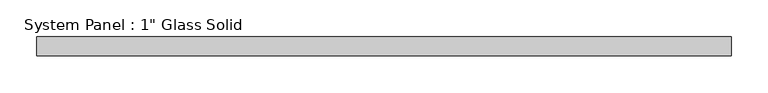
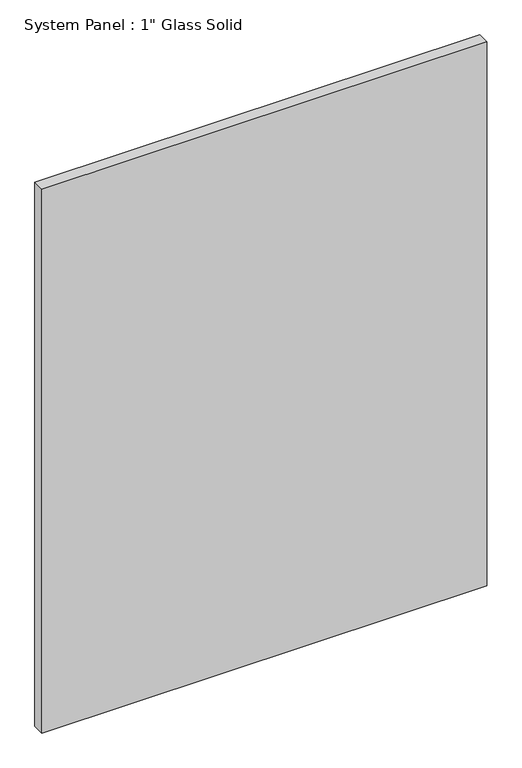
"""IFC4 building model written with IfcOpenShell, lengths in millimetres: plate geometry."""

from ifc_helpers import new_model, si_unit, origin, origin_with_axes, place, context, project, spatial, polyline, outline, extrude, source, transform, mapped, element, save


def plate_e7e3fea0(model_context):
    return source(origin(), model_context, "Body", "SweptSolid", [
        extrude(outline(polyline([(469.10625, -12.7), (-469.10625, -12.7), (-469.10625, 12.7), (469.10625, 12.7), (469.10625, -12.7)])), origin_with_axes(), (0.0, 0.0, 1.0), 1212.85),
    ])


if __name__ == "__main__":
    model = new_model("IFC4")
    model_context = context("Model", 3, world=origin())
    ifc_project = project(units=[si_unit("LENGTHUNIT", "METRE", prefix="MILLI")], contexts=[model_context])
    site = spatial("IfcSite", under=ifc_project)
    building = spatial("IfcBuilding", under=site)
    placement = place(None, origin())
    plate_shape = plate_e7e3fea0(model_context)
    element("IfcPlate", 1, ObjectType="System Panel : 1\" Glass Solid", at=placement, inside=building, context=model_context, shape_type="MappedRepresentation", body=[
        mapped(plate_shape, transform((0.0, 0.0, 0.0), x_axis=(1.0, 0.0, 0.0), y_axis=(0.0, 1.0, 0.0), z_axis=(0.0, 0.0, 1.0))),
    ])
    save(model, "model.ifc")
